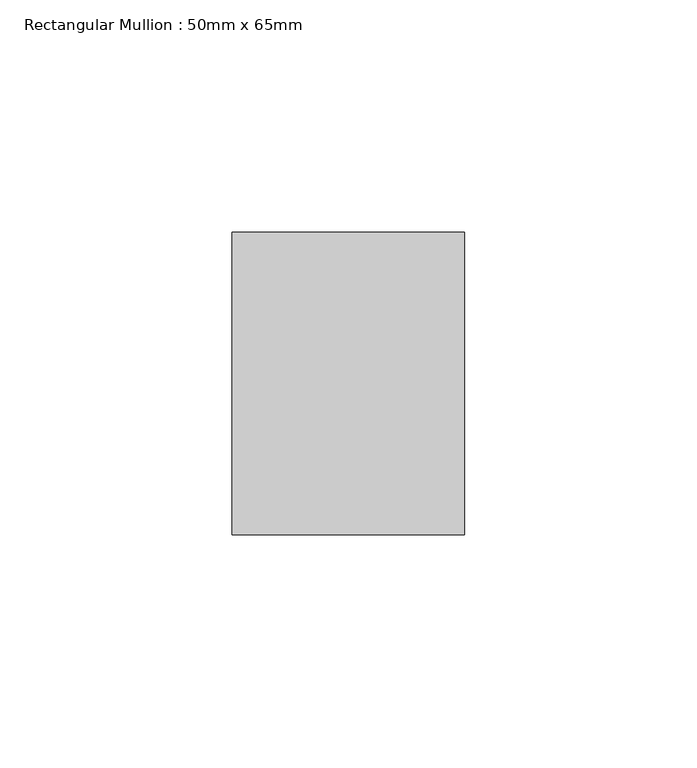
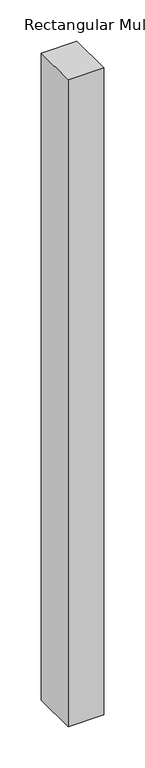
"""IFC4 building model written with IfcOpenShell, lengths in millimetres: member geometry, Rectangular Mullion : 50mm x 65mm."""

from ifc_helpers import new_model, si_unit, frame, origin, place, context, project, spatial, polyline, outline, extrude, source, transform, mapped, element, save


def rectangular_mullion_50mm_x_65mm_35e71d35(model_context):
    return source(origin(), model_context, "Body", "SweptSolid", [
        extrude(outline(polyline([(25.0, 32.5), (25.0, -32.5), (-25.0, -32.5), (-25.0, 32.5), (25.0, 32.5)])), frame((0.0, 0.0, -957.7641845), z_axis=(0.0, 0.0, 1.0), x_axis=(1.0, 0.0, 0.0)), (0.0, 0.0, 1.0), 957.7641845),
    ])


if __name__ == "__main__":
    model = new_model("IFC4")
    model_context = context("Model", 3, world=origin())
    ifc_project = project(units=[si_unit("LENGTHUNIT", "METRE", prefix="MILLI")], contexts=[model_context])
    site = spatial("IfcSite", under=ifc_project)
    building = spatial("IfcBuilding", under=site)
    placement = place(None, origin())
    rectangular_mullion_50mm_x_65mm_shape = rectangular_mullion_50mm_x_65mm_35e71d35(model_context)
    element("IfcMember", 1, ObjectType="Rectangular Mullion : 50mm x 65mm", at=placement, inside=building, context=model_context, shape_type="MappedRepresentation", body=[
        mapped(rectangular_mullion_50mm_x_65mm_shape, transform((0.0, 0.0, 0.0), x_axis=(1.0, 0.0, 0.0), y_axis=(0.0, 1.0, 0.0), z_axis=(0.0, 0.0, 1.0))),
    ])
    save(model, "model.ifc")
